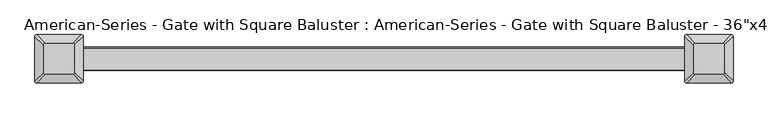
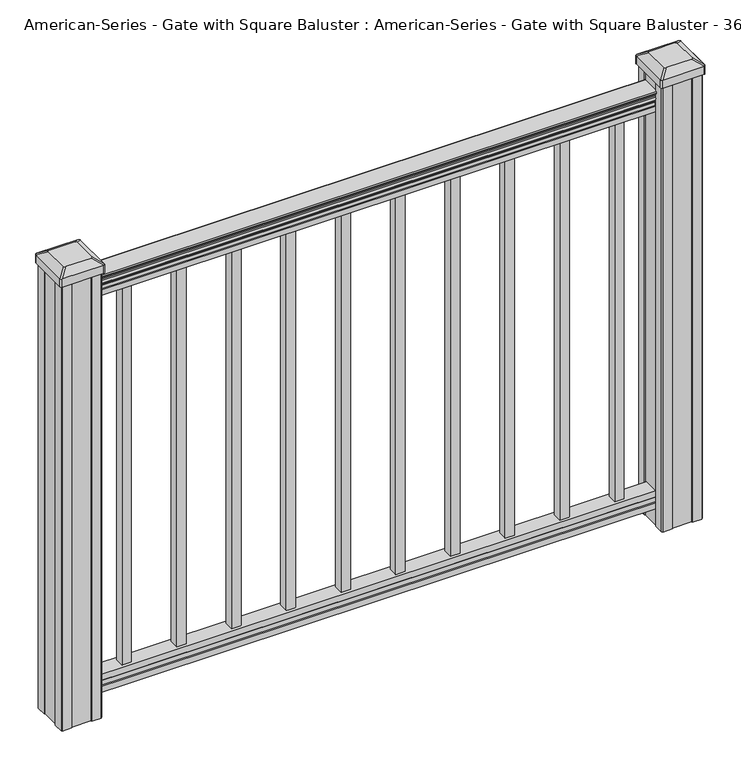
"""IFC4 building model written with IfcOpenShell, lengths in millimetres: proxy geometry."""

from ifc_helpers import new_model, si_unit, point, frame, frame_2d, origin, place, context, project, spatial, polyline, circle_curve, trimmed, segment, composite_curve, outline, extrude, source, transform, mapped, element, save
from ifc_brep_helpers import plane_surface, extruded_surface, advanced_brep


def proxy_c55b84d1(model_context):
    return source(origin(), model_context, "Body", "SolidModel", [
        extrude(outline(polyline([(398.4625, 9.525), (398.4625, -9.525), (379.4125, -9.525), (379.4125, 9.525), (398.4625, 9.525)])), frame((0.0, 0.0, 101.6), z_axis=(0.0, 0.0, 1.0), x_axis=(1.0, 0.0, 0.0)), (0.0, 0.0, 1.0), 812.8),
        extrude(outline(polyline([(287.3375, 9.525), (287.3375, -9.525), (268.2875, -9.525), (268.2875, 9.525), (287.3375, 9.525)])), frame((0.0, 0.0, 101.6), z_axis=(0.0, 0.0, 1.0), x_axis=(1.0, 0.0, 0.0)), (0.0, 0.0, 1.0), 812.8),
        extrude(outline(polyline([(176.2125, 9.525), (176.2125, -9.525), (157.1625, -9.525), (157.1625, 9.525), (176.2125, 9.525)])), frame((0.0, 0.0, 101.6), z_axis=(0.0, 0.0, 1.0), x_axis=(1.0, 0.0, 0.0)), (0.0, 0.0, 1.0), 812.8),
        extrude(outline(polyline([(65.0875, 9.525), (65.0875, -9.525), (46.0375, -9.525), (46.0375, 9.525), (65.0875, 9.525)])), frame((0.0, 0.0, 101.6), z_axis=(0.0, 0.0, 1.0), x_axis=(1.0, 0.0, 0.0)), (0.0, 0.0, 1.0), 812.8),
        extrude(outline(composite_curve([segment(polyline([(938.4043297, 17.4328287), (940.292412, 17.4328287)]), True, "CONTINUOUS"), segment(trimmed(circle_curve(frame_2d((946.0506383, 11.1180755)), 8.545951), [point((940.292412, 17.4328287))], [point((941.8546695, 18.563015))], False, "CARTESIAN"), True, "CONTINUOUS"), segment(trimmed(circle_curve(frame_2d((945.4636577, 11.5551384)), 7.882584), [point((941.8546695, 18.563015))], [point((949.0726458, 18.563015))], False, "CARTESIAN"), True, "CONTINUOUS"), segment(trimmed(circle_curve(frame_2d((951.3112527, 22.0684625)), 4.1592695), [point((949.0726458, 18.563015))], [point((951.5060812, 17.9137586))], True, "CARTESIAN"), True, "CONTINUOUS"), segment(trimmed(circle_curve(frame_2d((951.2508864, 23.3557691)), 5.4479907), [point((951.5060812, 17.9137586))], [point((955.8362083, 20.4137586))], True, "CARTESIAN"), True, "CONTINUOUS"), segment(trimmed(circle_curve(frame_2d((955.833395, 22.1226107)), 1.7088543), [point((955.8362083, 20.4137586))], [point((957.5157972, 21.8231011))], True, "CARTESIAN"), True, "CONTINUOUS"), segment(trimmed(circle_curve(frame_2d((958.6205318, 20.5057106)), 1.7192895), [point((957.5157972, 21.8231011))], [point((958.6205318, 22.2250001))], False, "CARTESIAN"), True, "CONTINUOUS"), segment(polyline([(958.6205318, 22.2250001), (959.9608158, 22.225)]), True, "CONTINUOUS"), segment(trimmed(circle_curve(frame_2d((959.9608158, 20.6715528)), 1.5534472), [point((959.9608158, 22.225))], [point((961.514263, 20.6715528))], False, "CARTESIAN"), True, "CONTINUOUS"), segment(polyline([(961.514263, 20.6715528), (961.514263, -20.6715528)]), True, "CONTINUOUS"), segment(trimmed(circle_curve(frame_2d((959.9608158, -20.6715528)), 1.5534472), [point((961.514263, -20.6715528))], [point((959.9608158, -22.225))], False, "CARTESIAN"), True, "CONTINUOUS"), segment(polyline([(959.9608158, -22.225), (958.6205318, -22.225)]), True, "CONTINUOUS"), segment(trimmed(circle_curve(frame_2d((958.6205318, -20.5057106)), 1.7192895), [point((958.6205318, -22.225))], [point((957.5157972, -21.8231011))], False, "CARTESIAN"), True, "CONTINUOUS"), segment(trimmed(circle_curve(frame_2d((955.833395, -22.1226107)), 1.7088543), [point((957.5157972, -21.8231011))], [point((955.8362083, -20.4137586))], True, "CARTESIAN"), True, "CONTINUOUS"), segment(trimmed(circle_curve(frame_2d((951.2508864, -23.3557691)), 5.4479907), [point((955.8362083, -20.4137586))], [point((951.5060812, -17.9137586))], True, "CARTESIAN"), True, "CONTINUOUS"), segment(trimmed(circle_curve(frame_2d((951.3112527, -22.0684625)), 4.1592695), [point((951.5060812, -17.9137586))], [point((949.0726458, -18.563015))], True, "CARTESIAN"), True, "CONTINUOUS"), segment(trimmed(circle_curve(frame_2d((945.4636577, -11.5551384)), 7.882584), [point((949.0726458, -18.563015))], [point((941.8546695, -18.563015))], False, "CARTESIAN"), True, "CONTINUOUS"), segment(trimmed(circle_curve(frame_2d((946.0506383, -11.1180755)), 8.545951), [point((941.8546695, -18.563015))], [point((940.292412, -17.4328287))], False, "CARTESIAN"), True, "CONTINUOUS"), segment(polyline([(940.292412, -17.4328287), (938.4043297, -17.4328287)]), True, "CONTINUOUS"), segment(trimmed(circle_curve(frame_2d((938.4043297, -16.1459144)), 1.2869144), [point((938.4043297, -17.4328287))], [point((938.4043297, -14.859))], False, "CARTESIAN"), True, "CONTINUOUS"), segment(polyline([(938.4043297, -14.859), (927.9048283, -14.859), (926.8888283, -15.875), (914.4, -15.875), (914.4, 15.875), (926.731013, 15.875), (927.747013, 14.859), (938.4043297, 14.859)]), True, "CONTINUOUS"), segment(trimmed(circle_curve(frame_2d((938.4043297, 16.1459144)), 1.2869144), [point((938.4043297, 14.859))], [point((938.4043297, 17.4328287))], False, "CARTESIAN"), True, "CONTINUOUS")], self_intersect=False)), frame((609.6, 0.0, 0.0), z_axis=(-1.0, 0.0, 0.0), x_axis=(0.0, 0.0, 1.0)), (0.0, 0.0, 1.0), 1219.2),
        extrude(outline(polyline([(-15.9124869, 76.0541976), (-14.8964869, 77.3546183), (-14.8964869, 87.7141717), (-15.9124869, 89.0624492), (-15.9124869, 101.5958781), (15.8375131, 101.5958781), (15.8375131, 89.0458024), (14.8215131, 87.6975248), (14.8215131, 77.3858283), (15.8375131, 76.0375508), (15.8375131, 63.5), (-15.9124869, 63.5), (-15.9124869, 76.0541976)])), frame((-609.6, 0.0, 0.0), z_axis=(1.0, 0.0, 0.0), x_axis=(0.0, 1.0, 0.0)), (0.0, 0.0, 1.0), 1219.2),
        advanced_brep(
        [(583.803125, 28.971875, 1012.825), (580.628125, 25.796875, 1012.825), (580.628125, -25.796875, 1012.825), (583.803125, -28.971875, 1012.825), (635.396875, -28.971875, 1012.825), (638.571875, -25.796875, 1012.825), (638.571875, 25.796875, 1012.825), (635.396875, 28.971875, 1012.825), (567.53125, 45.24375, 1001.522), (651.66875, 45.24375, 1001.522), (654.84375, 42.06875, 1001.522), (654.84375, -42.06875, 1001.522), (651.66875, -45.24375, 1001.522), (567.53125, -45.24375, 1001.522), (564.35625, -42.06875, 1001.522), (564.35625, 42.06875, 1001.522)],
        [
            (0, 1, circle_curve(frame((583.803125, 25.796875, 1012.825), z_axis=(0.0, 0.0, 1.0), x_axis=(0.0, -1.0, 0.0)), 3.175)),
            (1, 2),
            (2, 3, circle_curve(frame((583.803125, -25.796875, 1012.825), z_axis=(0.0, 0.0, 1.0), x_axis=(0.0, -1.0, 0.0)), 3.175)),
            (3, 4),
            (4, 5, circle_curve(frame((635.396875, -25.796875, 1012.825), z_axis=(0.0, 0.0, 1.0), x_axis=(0.0, -1.0, 0.0)), 3.175)),
            (5, 6),
            (6, 7, circle_curve(frame((635.396875, 25.796875, 1012.825), z_axis=(0.0, 0.0, 1.0), x_axis=(0.0, -1.0, 0.0)), 3.175)),
            (7, 0),
            (8, 9),
            (9, 10, circle_curve(frame((651.66875, 42.06875, 1001.522), z_axis=(0.0, 0.0, -1.0), x_axis=(0.0, -1.0, 0.0)), 3.175)),
            (10, 11),
            (11, 12, circle_curve(frame((651.66875, -42.06875, 1001.522), z_axis=(0.0, 0.0, -1.0), x_axis=(0.0, -1.0, 0.0)), 3.175)),
            (12, 13),
            (13, 14, circle_curve(frame((567.53125, -42.06875, 1001.522), z_axis=(0.0, 0.0, -1.0), x_axis=(0.0, -1.0, 0.0)), 3.175)),
            (14, 15),
            (15, 8, circle_curve(frame((567.53125, 42.06875, 1001.522), z_axis=(0.0, 0.0, -1.0), x_axis=(0.0, -1.0, 0.0)), 3.175)),
            (15, 1),
            (0, 8),
            (14, 2),
            (13, 3),
            (12, 4),
            (11, 5),
            (10, 6),
            (9, 7),
        ],
        [
            plane_surface(frame((609.6, 0.0, 1012.825), z_axis=(0.0, 0.0, 1.0), x_axis=(-1.0, 0.0, 0.0))),
            plane_surface(frame((609.6, 0.0, 1001.522), z_axis=(0.0, 0.0, -1.0), x_axis=(-1.0, 0.0, 0.0))),
            extruded_surface(trimmed(circle_curve(frame((567.53125, 42.06875, 1001.522), z_axis=(0.0, 0.0, 1.0), x_axis=(0.0, -1.0, 0.0)), 3.175), [point((567.53125, 45.24375, 1001.522))], [point((564.35625, 42.06875, 1001.522))], True, "CARTESIAN"), (16.271875000000023, -16.271875, 11.302999999999997), 25.637972638866177),
            plane_surface(frame((564.35625, 0.0, 1001.522), z_axis=(-0.5705009161540779, 0.0, 0.8212969649690408), x_axis=(0.0, -1.0, 0.0))),
            extruded_surface(trimmed(circle_curve(frame((567.53125, -42.06875, 1001.522), z_axis=(0.0, 0.0, 1.0), x_axis=(0.0, -1.0, 0.0)), 3.175), [point((564.35625, -42.06875, 1001.522))], [point((567.53125, -45.24375, 1001.522))], True, "CARTESIAN"), (16.271875000000023, 16.271875, 11.302999999999997), 25.637972638866177),
            plane_surface(frame((609.6, -45.24375, 1001.522), z_axis=(0.0, -0.5705009161540291, 0.8212969649690747), x_axis=(1.0, 0.0, 0.0))),
            extruded_surface(trimmed(circle_curve(frame((651.66875, -42.06875, 1001.522), z_axis=(0.0, 0.0, 1.0), x_axis=(0.0, -1.0, 0.0)), 3.175), [point((651.66875, -45.24375, 1001.522))], [point((654.84375, -42.06875, 1001.522))], True, "CARTESIAN"), (-16.271875000000023, 16.271875, 11.302999999999997), 25.637972638866177),
            plane_surface(frame((654.84375, 0.0, 1001.522), z_axis=(0.5705009161540141, 0.0, 0.8212969649690851), x_axis=(0.0, 1.0, 0.0))),
            extruded_surface(trimmed(circle_curve(frame((651.66875, 42.06875, 1001.522), z_axis=(0.0, 0.0, 1.0), x_axis=(0.0, -1.0, 0.0)), 3.175), [point((654.84375, 42.06875, 1001.522))], [point((651.66875, 45.24375, 1001.522))], True, "CARTESIAN"), (-16.271875000000023, -16.271875, 11.302999999999997), 25.637972638866177),
            plane_surface(frame((609.6, 45.24375, 1001.522), z_axis=(0.0, 0.570500916154034, 0.8212969649690713), x_axis=(-1.0, 0.0, 0.0))),
        ],
        [
            (0, [[1, 2, 3, 4, 5, 6, 7, 8]]),
            (1, [[9, 10, 11, 12, 13, 14, 15, 16]]),
            (2, [[-16, 17, -1, 18]]),
            (3, [[-15, 19, -2, -17]]),
            (4, [[-14, 20, -3, -19]]),
            (5, [[-13, 21, -4, -20]]),
            (6, [[-12, 22, -5, -21]]),
            (7, [[-11, 23, -6, -22]]),
            (8, [[-10, 24, -7, -23]]),
            (9, [[-9, -18, -8, -24]]),
        ],
    ),
        extrude(outline(composite_curve([segment(polyline([(567.53125, 45.24375), (651.66875, 45.24375)]), True, "CONTINUOUS"), segment(trimmed(circle_curve(frame_2d((651.66875, 42.06875)), 3.175), [point((651.66875, 45.24375))], [point((654.84375, 42.06875))], False, "CARTESIAN"), True, "CONTINUOUS"), segment(polyline([(654.84375, 42.06875), (654.84375, -42.06875)]), True, "CONTINUOUS"), segment(trimmed(circle_curve(frame_2d((651.66875, -42.06875)), 3.175), [point((654.84375, -42.06875))], [point((651.66875, -45.24375))], False, "CARTESIAN"), True, "CONTINUOUS"), segment(polyline([(651.66875, -45.24375), (567.53125, -45.24375)]), True, "CONTINUOUS"), segment(trimmed(circle_curve(frame_2d((567.53125, -42.06875)), 3.175), [point((567.53125, -45.24375))], [point((564.35625, -42.06875))], False, "CARTESIAN"), True, "CONTINUOUS"), segment(polyline([(564.35625, -42.06875), (564.35625, 42.06875)]), True, "CONTINUOUS"), segment(trimmed(circle_curve(frame_2d((567.53125, 42.06875)), 3.175), [point((564.35625, 42.06875))], [point((567.53125, 45.24375))], False, "CARTESIAN"), True, "CONTINUOUS")], self_intersect=False)), frame((0.0, 0.0, 984.25), z_axis=(0.0, 0.0, 1.0), x_axis=(1.0, 0.0, 0.0)), (0.0, 0.0, 1.0), 17.272),
        extrude(outline(polyline([(569.9125, 41.275), (589.534, 41.275), (590.296, 39.6875), (628.904, 39.6875), (629.666, 41.275), (649.2875, 41.275), (650.875, 39.6875), (650.875, 20.066), (649.2875, 19.304), (649.2875, -19.304), (650.875, -20.066), (650.875, -39.6875), (649.2875, -41.275), (629.666, -41.275), (628.904, -39.6875), (590.296, -39.6875), (589.534, -41.275), (569.9125, -41.275), (568.325, -39.6875), (568.325, -20.066), (569.9125, -19.304), (569.9125, 19.304), (568.325, 20.066), (568.325, 39.6875), (569.9125, 41.275)])), frame((0.0, 0.0, 28.575), z_axis=(0.0, 0.0, 1.0), x_axis=(1.0, 0.0, 0.0)), (0.0, 0.0, 1.0), 955.675),
        advanced_brep(
        [(-635.396875, 28.971875, 1012.825), (-638.571875, 25.796875, 1012.825), (-638.571875, -25.796875, 1012.825), (-635.396875, -28.971875, 1012.825), (-583.803125, -28.971875, 1012.825), (-580.628125, -25.796875, 1012.825), (-580.628125, 25.796875, 1012.825), (-583.803125, 28.971875, 1012.825), (-651.66875, 45.24375, 1001.522), (-567.53125, 45.24375, 1001.522), (-564.35625, 42.06875, 1001.522), (-564.35625, -42.06875, 1001.522), (-567.53125, -45.24375, 1001.522), (-651.66875, -45.24375, 1001.522), (-654.84375, -42.06875, 1001.522), (-654.84375, 42.06875, 1001.522)],
        [
            (0, 1, circle_curve(frame((-635.396875, 25.796875, 1012.825), z_axis=(0.0, 0.0, 1.0), x_axis=(0.0, -1.0, 0.0)), 3.175)),
            (1, 2),
            (2, 3, circle_curve(frame((-635.396875, -25.796875, 1012.825), z_axis=(0.0, 0.0, 1.0), x_axis=(0.0, -1.0, 0.0)), 3.175)),
            (3, 4),
            (4, 5, circle_curve(frame((-583.803125, -25.796875, 1012.825), z_axis=(0.0, 0.0, 1.0), x_axis=(0.0, -1.0, 0.0)), 3.175)),
            (5, 6),
            (6, 7, circle_curve(frame((-583.803125, 25.796875, 1012.825), z_axis=(0.0, 0.0, 1.0), x_axis=(0.0, -1.0, 0.0)), 3.175)),
            (7, 0),
            (8, 9),
            (9, 10, circle_curve(frame((-567.53125, 42.06875, 1001.522), z_axis=(0.0, 0.0, -1.0), x_axis=(0.0, -1.0, 0.0)), 3.175)),
            (10, 11),
            (11, 12, circle_curve(frame((-567.53125, -42.06875, 1001.522), z_axis=(0.0, 0.0, -1.0), x_axis=(0.0, -1.0, 0.0)), 3.175)),
            (12, 13),
            (13, 14, circle_curve(frame((-651.66875, -42.06875, 1001.522), z_axis=(0.0, 0.0, -1.0), x_axis=(0.0, -1.0, 0.0)), 3.175)),
            (14, 15),
            (15, 8, circle_curve(frame((-651.66875, 42.06875, 1001.522), z_axis=(0.0, 0.0, -1.0), x_axis=(0.0, -1.0, 0.0)), 3.175)),
            (15, 1),
            (0, 8),
            (14, 2),
            (13, 3),
            (12, 4),
            (11, 5),
            (10, 6),
            (9, 7),
        ],
        [
            plane_surface(frame((-609.6, 0.0, 1012.825), z_axis=(0.0, 0.0, 1.0), x_axis=(-1.0, 0.0, 0.0))),
            plane_surface(frame((-609.6, 0.0, 1001.522), z_axis=(0.0, 0.0, -1.0), x_axis=(-1.0, 0.0, 0.0))),
            extruded_surface(trimmed(circle_curve(frame((-651.66875, 42.06875, 1001.522), z_axis=(0.0, 0.0, 1.0), x_axis=(0.0, -1.0, 0.0)), 3.175), [point((-651.66875, 45.24375, 1001.522))], [point((-654.84375, 42.06875, 1001.522))], True, "CARTESIAN"), (16.271875000000023, -16.271875, 11.302999999999997), 25.637972638866177),
            plane_surface(frame((-654.84375, 0.0, 1001.522), z_axis=(-0.5705009161540779, 0.0, 0.8212969649690408), x_axis=(0.0, -1.0, 0.0))),
            extruded_surface(trimmed(circle_curve(frame((-651.66875, -42.06875, 1001.522), z_axis=(0.0, 0.0, 1.0), x_axis=(0.0, -1.0, 0.0)), 3.175), [point((-654.84375, -42.06875, 1001.522))], [point((-651.66875, -45.24375, 1001.522))], True, "CARTESIAN"), (16.271875000000023, 16.271875, 11.302999999999997), 25.637972638866177),
            plane_surface(frame((-609.6, -45.24375, 1001.522), z_axis=(0.0, -0.5705009161540291, 0.8212969649690747), x_axis=(1.0, 0.0, 0.0))),
            extruded_surface(trimmed(circle_curve(frame((-567.53125, -42.06875, 1001.522), z_axis=(0.0, 0.0, 1.0), x_axis=(0.0, -1.0, 0.0)), 3.175), [point((-567.53125, -45.24375, 1001.522))], [point((-564.35625, -42.06875, 1001.522))], True, "CARTESIAN"), (-16.271875000000023, 16.271875, 11.302999999999997), 25.637972638866177),
            plane_surface(frame((-564.35625, 0.0, 1001.522), z_axis=(0.5705009161540141, 0.0, 0.8212969649690851), x_axis=(0.0, 1.0, 0.0))),
            extruded_surface(trimmed(circle_curve(frame((-567.53125, 42.06875, 1001.522), z_axis=(0.0, 0.0, 1.0), x_axis=(0.0, -1.0, 0.0)), 3.175), [point((-564.35625, 42.06875, 1001.522))], [point((-567.53125, 45.24375, 1001.522))], True, "CARTESIAN"), (-16.271875000000023, -16.271875, 11.302999999999997), 25.637972638866177),
            plane_surface(frame((-609.6, 45.24375, 1001.522), z_axis=(0.0, 0.570500916154034, 0.8212969649690713), x_axis=(-1.0, 0.0, 0.0))),
        ],
        [
            (0, [[1, 2, 3, 4, 5, 6, 7, 8]]),
            (1, [[9, 10, 11, 12, 13, 14, 15, 16]]),
            (2, [[-16, 17, -1, 18]]),
            (3, [[-15, 19, -2, -17]]),
            (4, [[-14, 20, -3, -19]]),
            (5, [[-13, 21, -4, -20]]),
            (6, [[-12, 22, -5, -21]]),
            (7, [[-11, 23, -6, -22]]),
            (8, [[-10, 24, -7, -23]]),
            (9, [[-9, -18, -8, -24]]),
        ],
    ),
        extrude(outline(composite_curve([segment(polyline([(-651.66875, 45.24375), (-567.53125, 45.24375)]), True, "CONTINUOUS"), segment(trimmed(circle_curve(frame_2d((-567.53125, 42.06875)), 3.175), [point((-567.53125, 45.24375))], [point((-564.35625, 42.06875))], False, "CARTESIAN"), True, "CONTINUOUS"), segment(polyline([(-564.35625, 42.06875), (-564.35625, -42.06875)]), True, "CONTINUOUS"), segment(trimmed(circle_curve(frame_2d((-567.53125, -42.06875)), 3.175), [point((-564.35625, -42.06875))], [point((-567.53125, -45.24375))], False, "CARTESIAN"), True, "CONTINUOUS"), segment(polyline([(-567.53125, -45.24375), (-651.66875, -45.24375)]), True, "CONTINUOUS"), segment(trimmed(circle_curve(frame_2d((-651.66875, -42.06875)), 3.175), [point((-651.66875, -45.24375))], [point((-654.84375, -42.06875))], False, "CARTESIAN"), True, "CONTINUOUS"), segment(polyline([(-654.84375, -42.06875), (-654.84375, 42.06875)]), True, "CONTINUOUS"), segment(trimmed(circle_curve(frame_2d((-651.66875, 42.06875)), 3.175), [point((-654.84375, 42.06875))], [point((-651.66875, 45.24375))], False, "CARTESIAN"), True, "CONTINUOUS")], self_intersect=False)), frame((0.0, 0.0, 984.25), z_axis=(0.0, 0.0, 1.0), x_axis=(1.0, 0.0, 0.0)), (0.0, 0.0, 1.0), 17.272),
        extrude(outline(polyline([(-649.2875, 41.275), (-629.666, 41.275), (-628.904, 39.6875), (-590.296, 39.6875), (-589.534, 41.275), (-569.9125, 41.275), (-568.325, 39.6875), (-568.325, 20.066), (-569.9125, 19.304), (-569.9125, -19.304), (-568.325, -20.066), (-568.325, -39.6875), (-569.9125, -41.275), (-589.534, -41.275), (-590.296, -39.6875), (-628.904, -39.6875), (-629.666, -41.275), (-649.2875, -41.275), (-650.875, -39.6875), (-650.875, -20.066), (-649.2875, -19.304), (-649.2875, 19.304), (-650.875, 20.066), (-650.875, 39.6875), (-649.2875, 41.275)])), frame((0.0, 0.0, 28.575), z_axis=(0.0, 0.0, 1.0), x_axis=(1.0, 0.0, 0.0)), (0.0, 0.0, 1.0), 955.675),
        extrude(outline(polyline([(-46.0375, 9.525), (-46.0375, -9.525), (-65.0875, -9.525), (-65.0875, 9.525), (-46.0375, 9.525)])), frame((0.0, 0.0, 101.6), z_axis=(0.0, 0.0, 1.0), x_axis=(1.0, 0.0, 0.0)), (0.0, 0.0, 1.0), 812.8),
        extrude(outline(polyline([(-157.1625, 9.525), (-157.1625, -9.525), (-176.2125, -9.525), (-176.2125, 9.525), (-157.1625, 9.525)])), frame((0.0, 0.0, 101.6), z_axis=(0.0, 0.0, 1.0), x_axis=(1.0, 0.0, 0.0)), (0.0, 0.0, 1.0), 812.8),
        extrude(outline(polyline([(-268.2875, 9.525), (-268.2875, -9.525), (-287.3375, -9.525), (-287.3375, 9.525), (-268.2875, 9.525)])), frame((0.0, 0.0, 101.6), z_axis=(0.0, 0.0, 1.0), x_axis=(1.0, 0.0, 0.0)), (0.0, 0.0, 1.0), 812.8),
        extrude(outline(polyline([(-379.4125, 9.525), (-379.4125, -9.525), (-398.4625, -9.525), (-398.4625, 9.525), (-379.4125, 9.525)])), frame((0.0, 0.0, 101.6), z_axis=(0.0, 0.0, 1.0), x_axis=(1.0, 0.0, 0.0)), (0.0, 0.0, 1.0), 812.8),
        extrude(outline(polyline([(509.5875, 9.525), (509.5875, -9.525), (490.5375, -9.525), (490.5375, 9.525), (509.5875, 9.525)])), frame((0.0, 0.0, 101.6), z_axis=(0.0, 0.0, 1.0), x_axis=(1.0, 0.0, 0.0)), (0.0, 0.0, 1.0), 812.8),
        extrude(outline(polyline([(-490.5375, 9.525), (-490.5375, -9.525), (-509.5875, -9.525), (-509.5875, 9.525), (-490.5375, 9.525)])), frame((0.0, 0.0, 101.6), z_axis=(0.0, 0.0, 1.0), x_axis=(1.0, 0.0, 0.0)), (0.0, 0.0, 1.0), 812.8),
    ])


if __name__ == "__main__":
    model = new_model("IFC4")
    model_context = context("Model", 3, world=origin())
    ifc_project = project(units=[si_unit("LENGTHUNIT", "METRE", prefix="MILLI")], contexts=[model_context])
    site = spatial("IfcSite", under=ifc_project)
    building = spatial("IfcBuilding", under=site)
    placement = place(None, origin())
    proxy_shape = proxy_c55b84d1(model_context)
    element("IfcBuildingElementProxy", 1, Name="American-Series - Gate with Square Baluster : American-Series - Gate with Square Baluster - 36\"x48\"", ObjectType="American-Series - Gate with Square Baluster : American-Series - Gate with Square Baluster - 36\"x48\"", at=placement, inside=building, context=model_context, shape_type="MappedRepresentation", body=[
        mapped(proxy_shape, transform((0.0, 0.0, 0.0), x_axis=(1.0, 0.0, 0.0), y_axis=(0.0, 1.0, 0.0), z_axis=(0.0, 0.0, 1.0))),
    ])
    save(model, "model.ifc")
